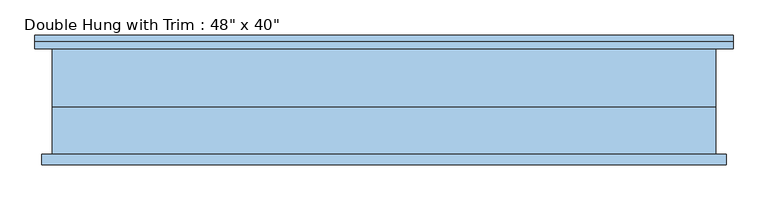
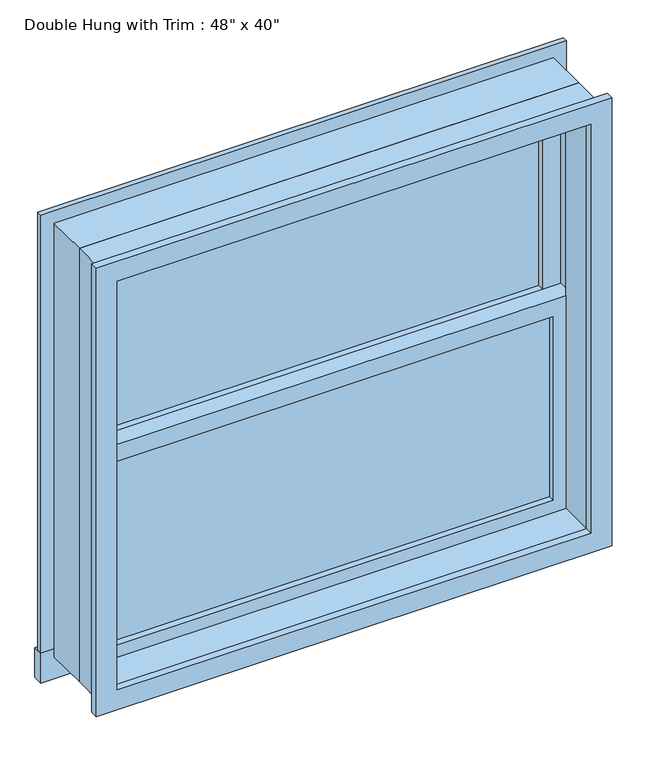
"""IFC4 building model written with IfcOpenShell, lengths in millimetres: window geometry."""

from ifc_helpers import new_model, si_unit, frame, origin, place, context, project, spatial, polyline, outline, extrude, source, transform, mapped, element, save


def window_a5c209a2(model_context):
    return source(origin(), model_context, "Body", "SweptSolid", [
        extrude(outline(polyline([(-546.1, 17.4625), (546.1, 17.4625), (546.1, 4.7625), (-546.1, 4.7625), (-546.1, 17.4625)])), frame((0.0, 0.0, 673.1), z_axis=(0.0, 0.0, 1.0), x_axis=(1.0, 0.0, 0.0)), (0.0, 0.0, 1.0), 473.075),
        extrude(outline(polyline([(1190.625, -590.55), (628.65, -590.55), (628.65, 590.55), (1190.625, 590.55), (1190.625, -590.55)]), holes=[polyline([(1146.175, -546.1), (1146.175, 546.1), (673.1, 546.1), (673.1, -546.1), (1146.175, -546.1)])]), frame((0.0, -11.1125, 0.0), z_axis=(0.0, 1.0, 0.0), x_axis=(0.0, 0.0, 1.0)), (0.0, 0.0, 1.0), 44.45),
        extrude(outline(polyline([(-641.35, 122.2375), (641.35, 122.2375), (641.35, 96.8375), (-641.35, 96.8375), (-641.35, 122.2375)])), frame((0.0, 0.0, 552.45), z_axis=(0.0, 0.0, 1.0), x_axis=(1.0, 0.0, 0.0)), (0.0, 0.0, 1.0), 76.2),
        extrude(outline(polyline([(1708.15, -590.55), (1708.15, 590.55), (628.65, 590.55), (628.65, 641.35), (1758.95, 641.35), (1758.95, -641.35), (628.65, -641.35), (628.65, -590.55), (1708.15, -590.55)])), frame((0.0, 96.8375, 0.0), z_axis=(0.0, 1.0, 0.0), x_axis=(0.0, 0.0, 1.0)), (0.0, 0.0, 1.0), 12.7),
        extrude(outline(polyline([(1746.25, 628.65), (1746.25, -628.65), (590.55, -628.65), (590.55, 628.65), (1746.25, 628.65)]), holes=[polyline([(1695.45, 577.85), (641.35, 577.85), (641.35, -577.85), (1695.45, -577.85), (1695.45, 577.85)])]), frame((0.0, -115.8875, 0.0), z_axis=(0.0, 1.0, 0.0), x_axis=(0.0, 0.0, 1.0)), (0.0, 0.0, 1.0), 19.05),
        extrude(outline(polyline([(546.1, 49.2125), (-546.1, 49.2125), (-546.1, 61.9125), (546.1, 61.9125), (546.1, 49.2125)])), frame((0.0, 0.0, 1190.625), z_axis=(0.0, 0.0, 1.0), x_axis=(1.0, 0.0, 0.0)), (0.0, 0.0, 1.0), 473.075),
        extrude(outline(polyline([(1708.15, -590.55), (1146.175, -590.55), (1146.175, 590.55), (1708.15, 590.55), (1708.15, -590.55)]), holes=[polyline([(1663.7, -546.1), (1663.7, 546.1), (1190.625, 546.1), (1190.625, -546.1), (1663.7, -546.1)])]), frame((0.0, 33.3375, 0.0), z_axis=(0.0, 1.0, 0.0), x_axis=(0.0, 0.0, 1.0)), (0.0, 0.0, 1.0), 44.45),
        extrude(outline(polyline([(1727.2, -609.6), (609.6, -609.6), (609.6, 609.6), (1727.2, 609.6), (1727.2, -609.6)]), holes=[polyline([(1695.45, -577.85), (1695.45, 577.85), (641.35, 577.85), (641.35, -577.85), (1695.45, -577.85)])]), frame((0.0, -96.8375, 0.0), z_axis=(0.0, 1.0, 0.0), x_axis=(0.0, 0.0, 1.0)), (0.0, 0.0, 1.0), 85.725),
        extrude(outline(polyline([(1727.2, 609.6), (1727.2, -609.6), (609.6, -609.6), (609.6, 609.6), (1727.2, 609.6)]), holes=[polyline([(1708.15, 590.55), (628.65, 590.55), (628.65, -590.55), (1708.15, -590.55), (1708.15, 590.55)])]), frame((0.0, -11.1125, 0.0), z_axis=(0.0, 1.0, 0.0), x_axis=(0.0, 0.0, 1.0)), (0.0, 0.0, 1.0), 107.95),
    ])


if __name__ == "__main__":
    model = new_model("IFC4")
    model_context = context("Model", 3, world=origin())
    ifc_project = project(units=[si_unit("LENGTHUNIT", "METRE", prefix="MILLI")], contexts=[model_context])
    site = spatial("IfcSite", under=ifc_project)
    building = spatial("IfcBuilding", under=site)
    placement = place(None, origin())
    window_shape = window_a5c209a2(model_context)
    element("IfcWindow", 1, ObjectType="Double Hung with Trim : 48\" x 40\"", at=placement, inside=building, context=model_context, shape_type="MappedRepresentation", body=[
        mapped(window_shape, transform((0.0, 0.0, 0.0), x_axis=(1.0, 0.0, 0.0), y_axis=(0.0, 1.0, 0.0), z_axis=(0.0, 0.0, 1.0))),
    ])
    save(model, "model.ifc")
